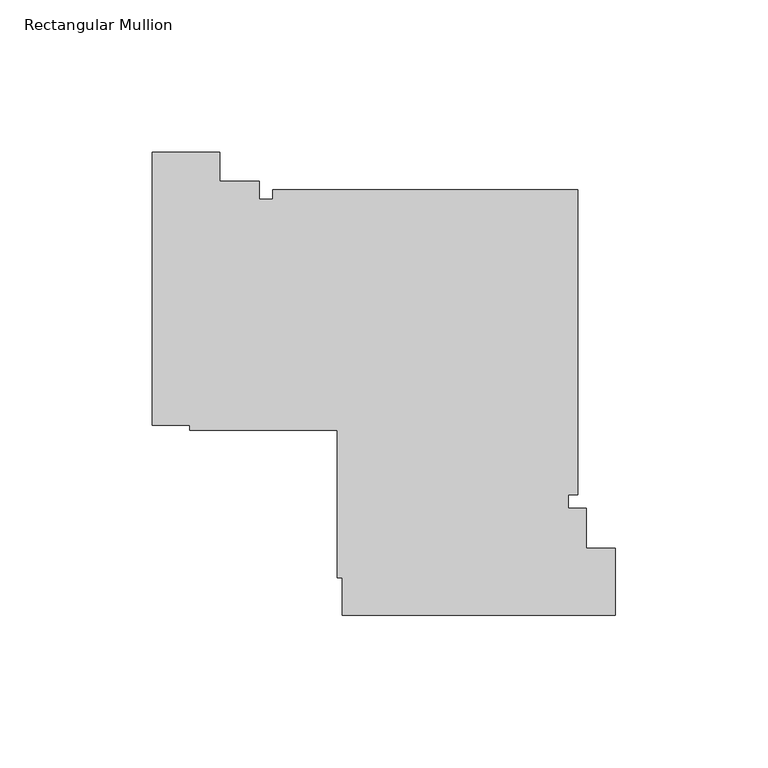
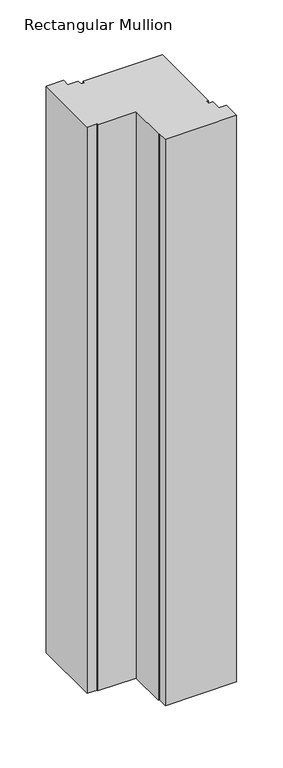
"""IFC4 building model written with IfcOpenShell, lengths in millimetres: member geometry, Rectangular Mullion."""

from ifc_helpers import new_model, si_unit, frame, origin, place, context, project, spatial, polyline, outline, extrude, source, transform, mapped, element, save


def rectangular_mullion_a19eacf1(model_context):
    return source(origin(), model_context, "Body", "SweptSolid", [
        extrude(outline(polyline([(-171.2099738, -15.0000854), (-149.2099129, -15.0000854), (-149.2099129, -24.5000025), (-136.2099738, -24.5000025), (-136.2099738, -30.3000025), (-131.8100025, -30.3000025), (-131.8100025, -27.3000025), (-31.8100025, -27.3000025), (-31.8100025, -127.3000025), (-34.8100025, -127.3000025), (-34.8100025, -131.6999738), (-29.0100025, -131.6999738), (-29.0100025, -144.6999129), (-19.5100025, -144.6999129), (-19.5100025, -166.6999738), (-109.0100025, -166.6999738), (-109.0100025, -154.5000025), (-110.6100025, -154.5000025), (-110.6100025, -106.1000025), (-159.0100025, -106.1000025), (-159.0100025, -104.5000025), (-171.2099738, -104.5000025), (-171.2099738, -15.0000854)])), frame((0.0, 0.0, -750.6149322), z_axis=(0.0, 0.0, 1.0), x_axis=(1.0, 0.0, 0.0)), (0.0, 0.0, 1.0), 750.6149322),
    ])


if __name__ == "__main__":
    model = new_model("IFC4")
    model_context = context("Model", 3, world=origin())
    ifc_project = project(units=[si_unit("LENGTHUNIT", "METRE", prefix="MILLI")], contexts=[model_context])
    site = spatial("IfcSite", under=ifc_project)
    building = spatial("IfcBuilding", under=site)
    placement = place(None, origin())
    rectangular_mullion_shape = rectangular_mullion_a19eacf1(model_context)
    element("IfcMember", 1, ObjectType="Rectangular Mullion", at=placement, inside=building, context=model_context, shape_type="MappedRepresentation", body=[
        mapped(rectangular_mullion_shape, transform((0.0, 0.0, 0.0), x_axis=(1.0, 0.0, 0.0), y_axis=(0.0, 1.0, 0.0), z_axis=(0.0, 0.0, 1.0))),
    ])
    save(model, "model.ifc")
